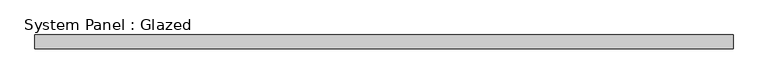
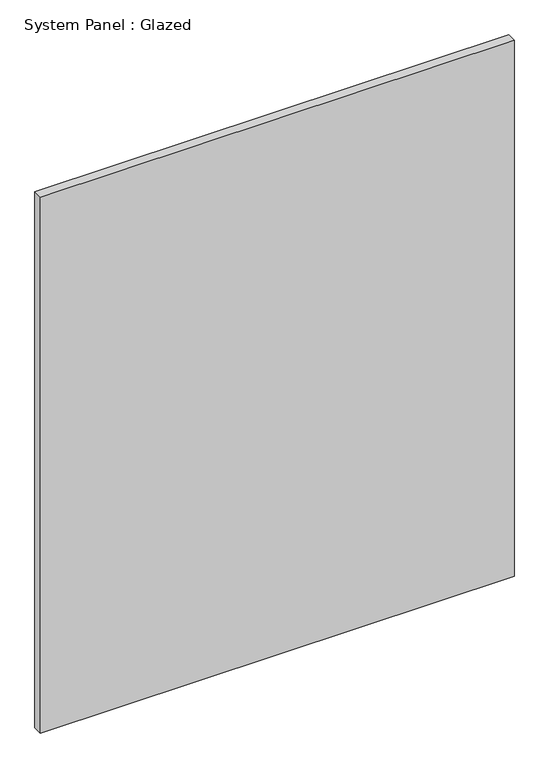
"""IFC4 building model written with IfcOpenShell, lengths in millimetres: plate geometry, System Panel : Glazed."""

from ifc_helpers import new_model, si_unit, origin, origin_with_axes, place, context, project, spatial, polyline, outline, extrude, source, transform, mapped, element, save


def system_panel_glazed_96b37a38(model_context):
    return source(origin(), model_context, "Body", "SweptSolid", [
        extrude(outline(polyline([(637.5, 24.5), (-637.5, 24.5), (-637.5, 49.5), (637.5, 49.5), (637.5, 24.5)])), origin_with_axes(), (0.0, 0.0, 1.0), 1525.0),
    ])


if __name__ == "__main__":
    model = new_model("IFC4")
    model_context = context("Model", 3, world=origin())
    ifc_project = project(units=[si_unit("LENGTHUNIT", "METRE", prefix="MILLI")], contexts=[model_context])
    site = spatial("IfcSite", under=ifc_project)
    building = spatial("IfcBuilding", under=site)
    placement = place(None, origin())
    system_panel_glazed_shape = system_panel_glazed_96b37a38(model_context)
    element("IfcPlate", 1, ObjectType="System Panel : Glazed", at=placement, inside=building, context=model_context, shape_type="MappedRepresentation", body=[
        mapped(system_panel_glazed_shape, transform((0.0, 0.0, 0.0), x_axis=(1.0, 0.0, 0.0), y_axis=(0.0, 1.0, 0.0), z_axis=(0.0, 0.0, 1.0))),
    ])
    save(model, "model.ifc")
